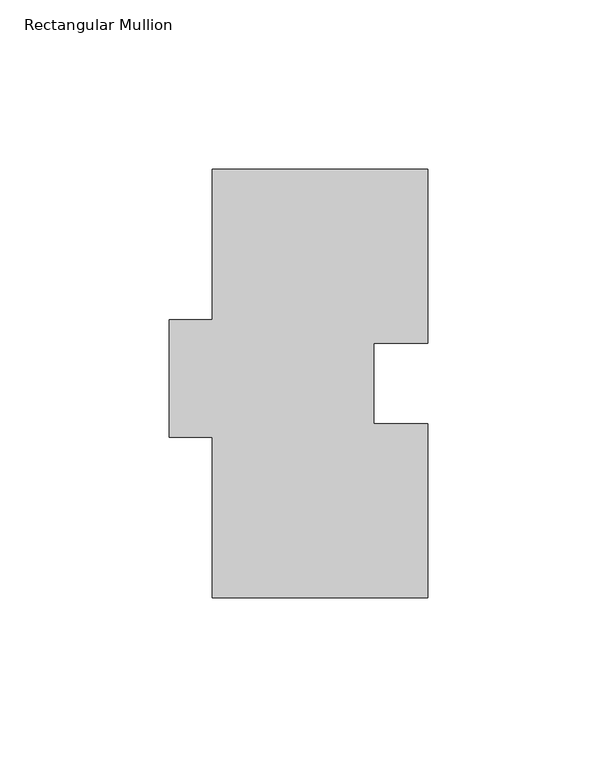
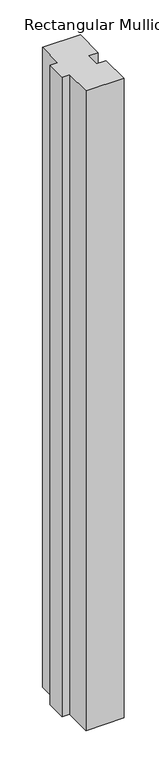
"""IFC4 building model written with IfcOpenShell, lengths in millimetres: member geometry, Rectangular Mullion."""

from ifc_helpers import new_model, si_unit, frame, origin, place, context, project, spatial, polyline, outline, extrude, source, transform, mapped, element, save


def rectangular_mullion_0da639f6(model_context):
    return source(origin(), model_context, "Body", "SweptSolid", [
        extrude(outline(polyline([(-63.5, 126.7023438), (0.0, 126.7023438), (0.0, 75.3562438), (-15.875, 75.3562438), (-15.875, 51.5564438), (0.0, 51.5564438), (0.0, 0.2103438), (-63.5, 0.2103438), (-63.5, 47.5813438), (-76.2, 47.5813438), (-76.2, 82.2523438), (-63.5, 82.2523438), (-63.5, 126.7023438)])), frame((0.0, 0.0, -1130.3), z_axis=(0.0, 0.0, 1.0), x_axis=(1.0, 0.0, 0.0)), (0.0, 0.0, 1.0), 1130.3),
    ])


if __name__ == "__main__":
    model = new_model("IFC4")
    model_context = context("Model", 3, world=origin())
    ifc_project = project(units=[si_unit("LENGTHUNIT", "METRE", prefix="MILLI")], contexts=[model_context])
    site = spatial("IfcSite", under=ifc_project)
    building = spatial("IfcBuilding", under=site)
    placement = place(None, origin())
    rectangular_mullion_shape = rectangular_mullion_0da639f6(model_context)
    element("IfcMember", 1, ObjectType="Rectangular Mullion", at=placement, inside=building, context=model_context, shape_type="MappedRepresentation", body=[
        mapped(rectangular_mullion_shape, transform((0.0, 0.0, 0.0), x_axis=(1.0, 0.0, 0.0), y_axis=(0.0, 1.0, 0.0), z_axis=(0.0, 0.0, 1.0))),
    ])
    save(model, "model.ifc")
